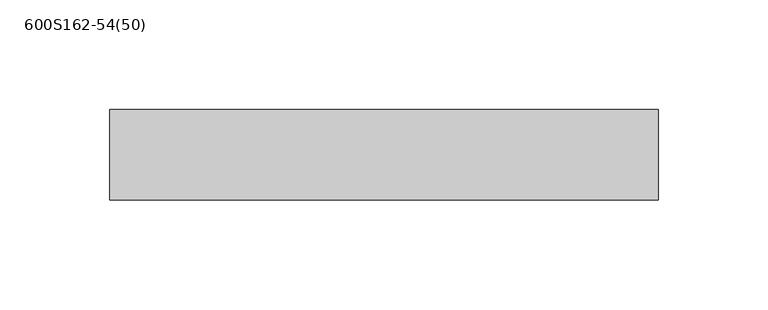
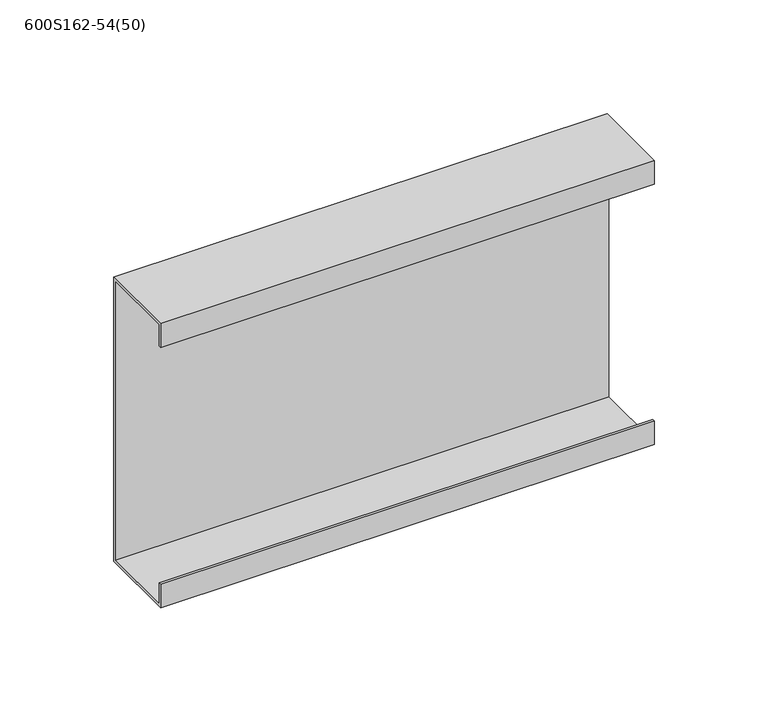
"""IFC4 building model written with IfcOpenShell, lengths in millimetres: member geometry, 600S162-54(50)."""

from ifc_helpers import new_model, si_unit, frame, origin, place, context, project, spatial, polyline, outline, extrude, source, transform, mapped, element, save


def member_600s162_54_50_fdf335bf(model_context):
    return source(origin(), model_context, "Body", "SweptSolid", [
        extrude(outline(polyline([(20.6375, 76.2), (20.6375, -76.2), (-20.6375, -76.2), (-20.6375, -63.5), (-19.2484375, -63.5), (-19.2484375, -74.8109375), (19.2484375, -74.8109375), (19.2484375, 74.8109375), (-19.2484375, 74.8109375), (-19.2484375, 63.5), (-20.6375, 63.5), (-20.6375, 76.2), (20.6375, 76.2)])), frame((-125.0, 0.0, 0.0), z_axis=(1.0, 0.0, 0.0), x_axis=(0.0, 1.0, 0.0)), (0.0, 0.0, 1.0), 250.0),
    ])


if __name__ == "__main__":
    model = new_model("IFC4")
    model_context = context("Model", 3, world=origin())
    ifc_project = project(units=[si_unit("LENGTHUNIT", "METRE", prefix="MILLI")], contexts=[model_context])
    site = spatial("IfcSite", under=ifc_project)
    building = spatial("IfcBuilding", under=site)
    placement = place(None, origin())
    member_600s162_54_50_shape = member_600s162_54_50_fdf335bf(model_context)
    element("IfcMember", 1, ObjectType="600S162-54(50)", at=placement, inside=building, context=model_context, shape_type="MappedRepresentation", body=[
        mapped(member_600s162_54_50_shape, transform((0.0, 0.0, 0.0), x_axis=(1.0, 0.0, 0.0), y_axis=(0.0, 1.0, 0.0), z_axis=(0.0, 0.0, 1.0))),
    ])
    save(model, "model.ifc")
